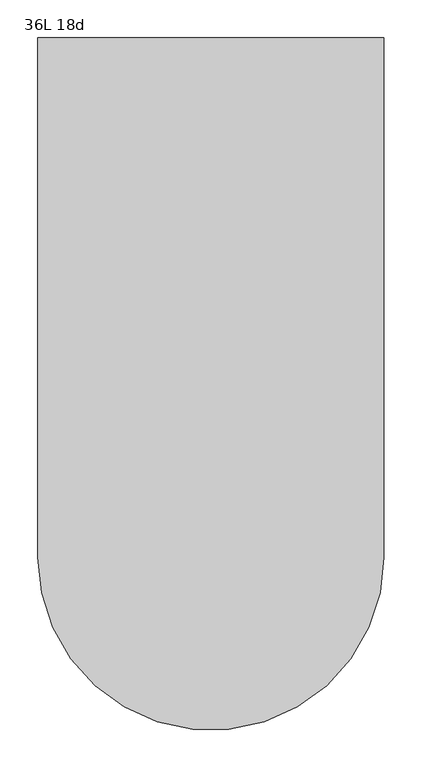
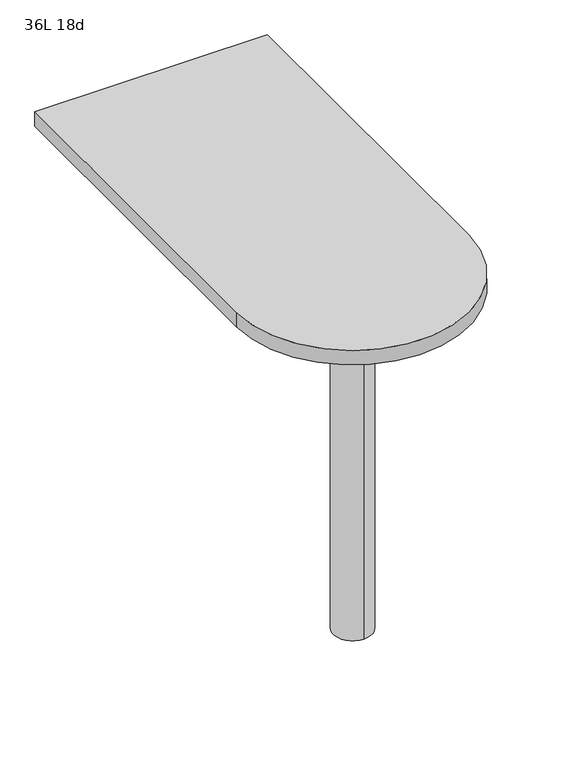
"""IFC4 building model written with IfcOpenShell, lengths in millimetres: furniture geometry, 36L 18d."""

from ifc_helpers import new_model, si_unit, point, frame, frame_2d, origin, place, context, project, spatial, polyline, circle_curve, trimmed, segment, composite_curve, outline, extrude, source, transform, mapped, element, save
from ifc_brep_helpers import plane_surface, cylinder_surface, advanced_brep


def furniture_36l_18d_b7da9762(model_context):
    return source(origin(), model_context, "Body", "SolidModel", [
        advanced_brep(
        [(0.0, -190.5, 706.4375), (0.0, -266.7, 706.4375), (0.0, -228.6, 706.4375), (0.0, -190.5, 0.0), (0.0, -266.7, 0.0), (0.0, -228.6, 0.0)],
        [
            (0, 1, circle_curve(frame((0.0, -228.6, 706.4375), z_axis=(0.0, 0.0, 1.0), x_axis=(0.0, -1.0, 0.0)), 38.1)),
            (1, 2),
            (2, 0),
            (1, 0, circle_curve(frame((0.0, -228.6, 706.4375), z_axis=(0.0, 0.0, 1.0), x_axis=(0.0, -1.0, 0.0)), 38.1)),
            (3, 4, circle_curve(frame((0.0, -228.6, 0.0), z_axis=(0.0, 0.0, 1.0), x_axis=(0.0, -1.0, 0.0)), 38.1)),
            (4, 1),
            (0, 3),
            (4, 3, circle_curve(frame((0.0, -228.6, 0.0), z_axis=(0.0, 0.0, 1.0), x_axis=(0.0, -1.0, 0.0)), 38.1)),
            (5, 4),
            (3, 5),
        ],
        [
            plane_surface(frame((0.0, -228.6, 706.4375), z_axis=(0.0, 0.0, 1.0), x_axis=(0.0, -1.0, 0.0))),
            cylinder_surface(frame((0.0, -228.6, 889.623257), z_axis=(0.0, 0.0, -1.0), x_axis=(0.0, -1.0, 0.0)), 38.1),
            plane_surface(frame((0.0, -228.6, 0.0), z_axis=(0.0, 0.0, -1.0), x_axis=(0.0, -1.0, 0.0))),
        ],
        [
            (0, [[1, 2, 3]]),
            (0, [[4, -3, -2]]),
            (1, [[5, 6, -1, 7]]),
            (1, [[8, -7, -4, -6]]),
            (2, [[9, -5, 10]]),
            (2, [[-10, -8, -9]]),
        ],
    ),
        extrude(outline(composite_curve([segment(polyline([(-228.6, -228.6), (-228.6, 457.2), (228.6, 457.2), (228.6, -228.6)]), True, "CONTINUOUS"), segment(trimmed(circle_curve(frame_2d((0.0, -228.6)), 228.6), [point((228.6, -228.6))], [point((-228.6, -228.6))], False, "CARTESIAN"), True, "CONTINUOUS")], self_intersect=False)), frame((0.0, 0.0, 706.4375), z_axis=(0.0, 0.0, 1.0), x_axis=(1.0, 0.0, 0.0)), (0.0, 0.0, 1.0), 30.1625),
    ])


if __name__ == "__main__":
    model = new_model("IFC4")
    model_context = context("Model", 3, world=origin())
    ifc_project = project(units=[si_unit("LENGTHUNIT", "METRE", prefix="MILLI")], contexts=[model_context])
    site = spatial("IfcSite", under=ifc_project)
    building = spatial("IfcBuilding", under=site)
    placement = place(None, origin())
    furniture_36l_18d_shape = furniture_36l_18d_b7da9762(model_context)
    element("IfcFurniture", 1, ObjectType="36L 18d", at=placement, inside=building, context=model_context, shape_type="MappedRepresentation", body=[
        mapped(furniture_36l_18d_shape, transform((0.0, 0.0, 0.0), x_axis=(1.0, 0.0, 0.0), y_axis=(0.0, 1.0, 0.0), z_axis=(0.0, 0.0, 1.0))),
    ])
    save(model, "model.ifc")
